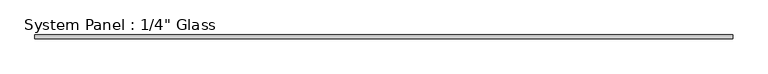
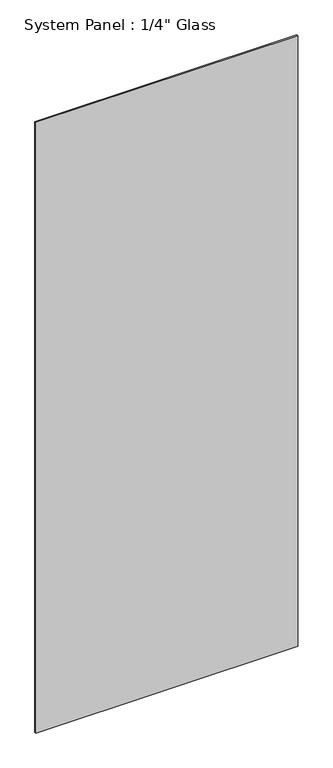
"""IFC4 building model written with IfcOpenShell, lengths in millimetres: plate geometry."""

from ifc_helpers import new_model, si_unit, origin, origin_with_axes, place, context, project, spatial, polyline, outline, extrude, source, transform, mapped, element, save


def plate_326aa98c(model_context):
    return source(origin(), model_context, "Body", "SweptSolid", [
        extrude(outline(polyline([(600.5091185, -3.175), (-600.5091185, -3.175), (-600.5091185, 3.175), (600.5091185, 3.175), (600.5091185, -3.175)])), origin_with_axes(), (0.0, 0.0, 1.0), 2959.1),
    ])


if __name__ == "__main__":
    model = new_model("IFC4")
    model_context = context("Model", 3, world=origin())
    ifc_project = project(units=[si_unit("LENGTHUNIT", "METRE", prefix="MILLI")], contexts=[model_context])
    site = spatial("IfcSite", under=ifc_project)
    building = spatial("IfcBuilding", under=site)
    placement = place(None, origin())
    plate_shape = plate_326aa98c(model_context)
    element("IfcPlate", 1, ObjectType="System Panel : 1/4\" Glass", at=placement, inside=building, context=model_context, shape_type="MappedRepresentation", body=[
        mapped(plate_shape, transform((0.0, 0.0, 0.0), x_axis=(1.0, 0.0, 0.0), y_axis=(0.0, 1.0, 0.0), z_axis=(0.0, 0.0, 1.0))),
    ])
    save(model, "model.ifc")
